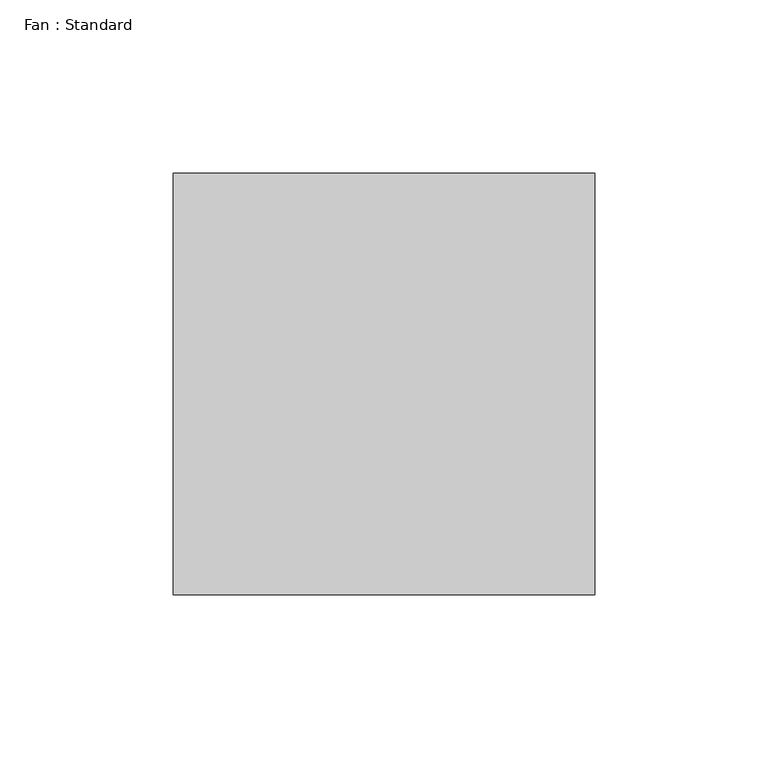
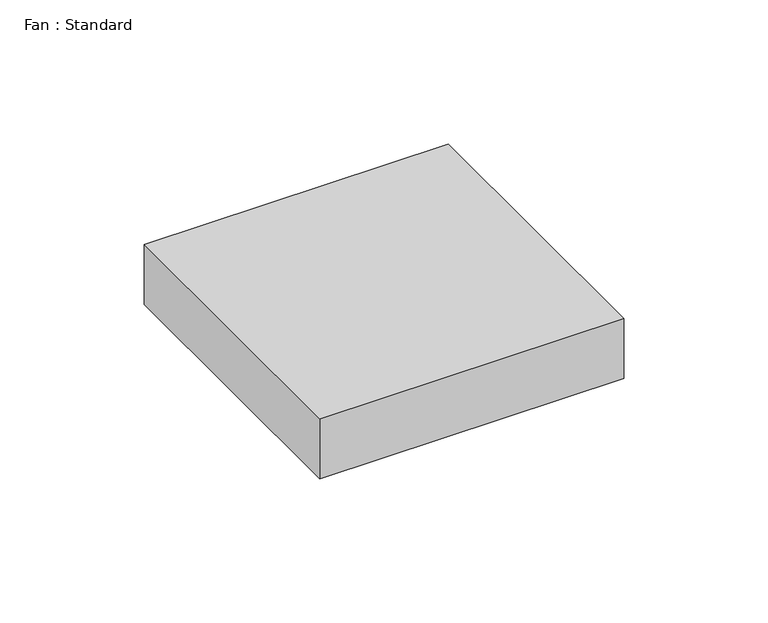
"""IFC4 building model written with IfcOpenShell, lengths in millimetres: proxy geometry, Fan : Standard."""

from ifc_helpers import new_model, si_unit, frame, origin, place, context, project, spatial, polyline, outline, extrude, source, transform, mapped, element, save


def fan_standard_44934c07(model_context):
    return source(origin(), model_context, "Body", "SweptSolid", [
        extrude(outline(polyline([(60.9699219, 0.0), (60.9699219, -121.9398438), (-60.9699219, -121.9398438), (-60.9699219, 0.0), (60.9699219, 0.0)])), frame((0.0, 0.0, -25.4), z_axis=(0.0, 0.0, 1.0), x_axis=(1.0, 0.0, 0.0)), (0.0, 0.0, 1.0), 25.4),
    ])


if __name__ == "__main__":
    model = new_model("IFC4")
    model_context = context("Model", 3, world=origin())
    ifc_project = project(units=[si_unit("LENGTHUNIT", "METRE", prefix="MILLI")], contexts=[model_context])
    site = spatial("IfcSite", under=ifc_project)
    building = spatial("IfcBuilding", under=site)
    placement = place(None, origin())
    fan_standard_shape = fan_standard_44934c07(model_context)
    element("IfcBuildingElementProxy", 1, Name="Fan : Standard", ObjectType="Fan : Standard", at=placement, inside=building, context=model_context, shape_type="MappedRepresentation", body=[
        mapped(fan_standard_shape, transform((0.0, 0.0, 0.0), x_axis=(1.0, 0.0, 0.0), y_axis=(0.0, 1.0, 0.0), z_axis=(0.0, 0.0, 1.0))),
    ])
    save(model, "model.ifc")
